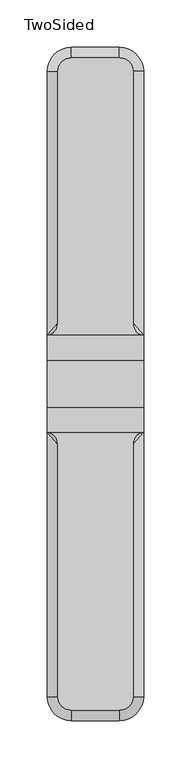
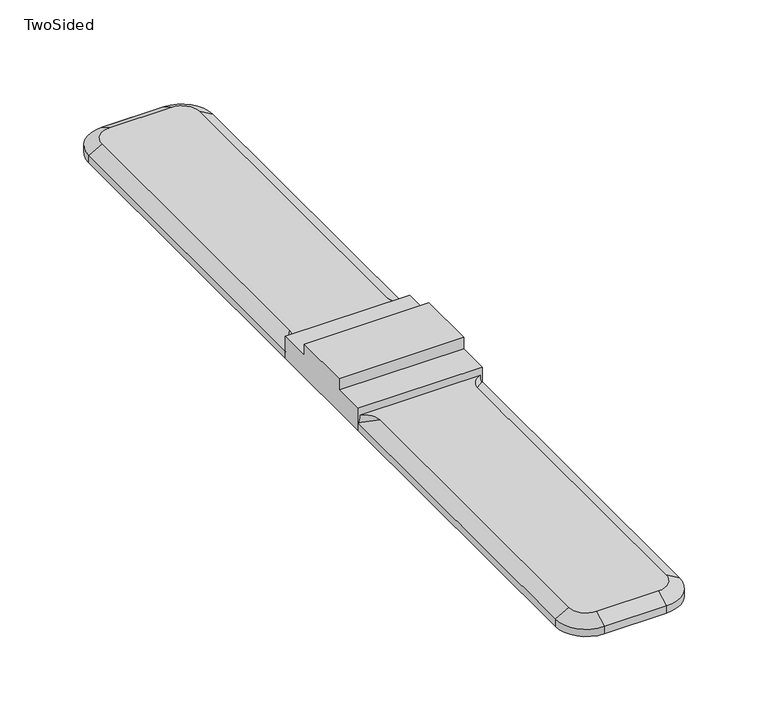
"""IFC4 building model written with IfcOpenShell, lengths in millimetres: furniture geometry, TwoSided."""

from ifc_helpers import new_model, si_unit, point, frame, frame_2d, origin, origin_with_axes, place, context, project, spatial, polyline, circle_curve, trimmed, segment, composite_curve, outline, extrude, source, transform, mapped, element, save
from ifc_brep_helpers import plane_surface, spline_surface, advanced_brep


def twosided_023465ef(model_context):
    return source(origin(), model_context, "Body", "SolidModel", [
        extrude(outline(polyline([(24.6062492, 19.05), (51.5676373, 19.05), (51.5676373, 0.0), (-50.8000015, 0.0), (-50.8000015, 19.05), (-24.6062492, 19.05), (-24.6062492, 28.7019999), (24.6062492, 28.7019999), (24.6062492, 19.05)])), frame((-50.8000015, 0.0, 0.0), z_axis=(1.0, 0.0, 0.0), x_axis=(0.0, 1.0, 0.0)), (0.0, 0.0, 1.0), 101.600003),
        advanced_brep(
        [(-39.8014789, 64.1544503, 12.708732), (-50.8000015, 51.5689438, 12.708732), (50.7999985, 51.5689438, 12.708732), (39.8014759, 64.1544503, 12.708732), (39.8014759, 330.1237857, 12.708732), (25.3234759, 344.6017857, 12.708732), (-25.3234789, 344.6017857, 12.708732), (-39.8014789, 330.1237857, 12.708732), (-50.8000015, 51.5689438, 6.358732), (-50.8000015, 330.1999879, 6.358732), (-25.4000015, 355.5999879, 6.358732), (25.3999985, 355.5999879, 6.358732), (50.7999985, 330.1999879, 6.358732), (50.7999985, 51.5689438, 6.358732)],
        [
            (0, 1, circle_curve(frame((-52.5014789, 64.1544503, 12.708732), z_axis=(0.0, 0.0, -1.0), x_axis=(0.0, 1.0, 0.0)), 12.7)),
            (1, 2),
            (2, 3, circle_curve(frame((52.5014759, 64.1544503, 12.708732), z_axis=(0.0, 0.0, -1.0), x_axis=(0.0, 1.0, 0.0)), 12.7)),
            (3, 4),
            (4, 5, circle_curve(frame((25.3234759, 330.1237857, 12.708732), z_axis=(0.0, 0.0, 1.0), x_axis=(0.0, 1.0, 0.0)), 14.478)),
            (5, 6),
            (6, 7, circle_curve(frame((-25.3234789, 330.1237857, 12.708732), z_axis=(0.0, 0.0, 1.0), x_axis=(0.0, 1.0, 0.0)), 14.478)),
            (7, 0),
            (8, 9),
            (9, 10, circle_curve(frame((-25.4000015, 330.1999879, 6.358732), z_axis=(0.0, 0.0, -1.0), x_axis=(0.0, 1.0, 0.0)), 25.4)),
            (10, 11),
            (11, 12, circle_curve(frame((25.3999985, 330.1999879, 6.358732), z_axis=(0.0, 0.0, -1.0), x_axis=(0.0, 1.0, 0.0)), 25.4)),
            (12, 13),
            (13, 8),
            (2, 13),
            (13, 3),
            (0, 8),
            (8, 1),
            (12, 4),
            (11, 5),
            (10, 6),
            (9, 7),
        ],
        [
            plane_surface(frame((-1.5e-06, 197.6122414, 12.708732), z_axis=(0.0, 0.0, 1.0), x_axis=(0.0, -1.0, 0.0))),
            plane_surface(frame((-1.5e-06, 245.7896399, 6.358732), z_axis=(0.0, 0.0, -1.0), x_axis=(0.0, -1.0, 0.0))),
            spline_surface(2, 1, [[(50.7999985, 51.5689438, 6.358732), (50.7999985, 51.5689438, 12.708732)], [(50.7999985, 51.5689438, 6.358732), (39.801475935029984, 53.05587147577952, 12.708732)], [(50.7999985, 51.5689438, 6.358732), (39.8014759, 64.1544503, 12.708732)]], [3, 3], [2, 2], [0.0, 1.0], [0.0, 1.0], weights=[[1.0, 1.0], [0.7529855913472054, 0.7529855913472054], [1.0, 1.0]]),
            spline_surface(2, 1, [[(-50.8000015, 51.5689438, 6.358732), (-39.8014789, 64.1544503, 12.708732)], [(-50.8000015, 51.5689438, 6.358732), (-39.801478872372726, 53.05587142102309, 12.708732)], [(-50.8000015, 51.5689438, 6.358732), (-50.8000015, 51.5689438, 12.708732)]], [3, 3], [2, 2], [0.0, 1.0], [0.0, 1.0], weights=[[1.0, 1.0], [0.7529855894897245, 0.7529855894897245], [1.0, 1.0]]),
            plane_surface(frame((-1.5e-06, 51.5689438, 6.358732), z_axis=(0.0, -1.0, 0.0), x_axis=(1.0, 0.0, 0.0))),
            plane_surface(frame((50.7999985, 190.8844658, 6.358732), z_axis=(0.499999999999971, 0.0, 0.8660254037844554), x_axis=(0.0, 1.0, 0.0))),
            spline_surface(2, 1, [[(50.7999985, 330.1999879, 6.358732), (39.8014759, 330.1237857, 12.708732)], [(50.79999850000002, 355.5999879, 6.358732), (39.801475900000014, 344.6017857, 12.708732)], [(25.3999985, 355.5999879, 6.358732), (25.3234759, 344.6017857, 12.708732)]], [3, 3], [2, 2], [0.0, 1.0], [0.0, 1.0], weights=[[1.0, 1.0], [0.7071067811865472, 0.7071067811865472], [1.0, 1.0]]),
            plane_surface(frame((-1.5e-06, 355.5999879, 6.358732), z_axis=(0.0, 0.5000109243768426, 0.8660190965006578), x_axis=(-1.0, 0.0, 0.0))),
            spline_surface(2, 1, [[(-25.4000015, 355.5999879, 6.358732), (-25.3234789, 344.6017857, 12.708732)], [(-50.80000149999998, 355.5999879, 6.358732), (-39.801478900000006, 344.6017857, 12.708732)], [(-50.8000015, 330.1999879, 6.358732), (-39.8014789, 330.1237857, 12.708732)]], [3, 3], [2, 2], [0.0, 1.0], [0.0, 1.0], weights=[[1.0, 1.0], [0.7071067811865479, 0.7071067811865479], [1.0, 1.0]]),
            plane_surface(frame((-50.8000015, 190.8844658, 6.358732), z_axis=(-0.49999999999973405, 0.0, 0.8660254037845923), x_axis=(0.0, -1.0, 0.0))),
        ],
        [
            (0, [[1, 2, 3, 4, 5, 6, 7, 8]]),
            (1, [[9, 10, 11, 12, 13, 14]]),
            (2, [[-3, 15, 16]]),
            (3, [[-1, 17, 18]]),
            (4, [[-14, -15, -2, -18]]),
            (5, [[-13, 19, -4, -16]]),
            (6, [[-12, 20, -5, -19]]),
            (7, [[-11, 21, -6, -20]]),
            (8, [[-10, 22, -7, -21]]),
            (9, [[-9, -17, -8, -22]]),
        ],
    ),
        extrude(outline(composite_curve([segment(polyline([(50.7999985, 50.7999985), (-50.8000015, 50.7999985), (-50.8000015, 330.1999879)]), True, "CONTINUOUS"), segment(trimmed(circle_curve(frame_2d((-25.4000015, 330.1999879)), 25.4), [point((-50.8000015, 330.1999879))], [point((-25.4000015, 355.5999879))], False, "CARTESIAN"), True, "CONTINUOUS"), segment(polyline([(-25.4000015, 355.5999879), (25.3999985, 355.5999879)]), True, "CONTINUOUS"), segment(trimmed(circle_curve(frame_2d((25.3999985, 330.1999879)), 25.4), [point((25.3999985, 355.5999879))], [point((50.7999985, 330.1999879))], False, "CARTESIAN"), True, "CONTINUOUS"), segment(polyline([(50.7999985, 330.1999879), (50.7999985, 50.7999985)]), True, "CONTINUOUS")], self_intersect=False)), origin_with_axes(), (0.0, 0.0, 1.0), 6.358732),
        advanced_brep(
        [(-39.8014789, -330.1234789, 12.708732), (-25.3234789, -344.6014789, 12.708732), (25.3234759, -344.6014789, 12.708732), (39.8014759, -330.1234789, 12.708732), (39.8014759, -63.385508, 12.708732), (50.7999985, -50.8000015, 12.708732), (-50.8000015, -50.8000015, 12.708732), (-39.8014789, -63.385508, 12.708732), (-50.8000015, -330.1999879, 6.358732), (-50.8000015, -50.8000015, 6.358732), (50.7999985, -50.8000015, 6.358732), (50.7999985, -330.1999879, 6.358732), (25.3999985, -355.5999879, 6.358732), (-25.4000015, -355.5999879, 6.358732)],
        [
            (0, 1, circle_curve(frame((-25.3234789, -330.1234789, 12.708732), z_axis=(0.0, 0.0, 1.0), x_axis=(0.0, -1.0, 0.0)), 14.478)),
            (1, 2),
            (2, 3, circle_curve(frame((25.3234759, -330.1234789, 12.708732), z_axis=(0.0, 0.0, 1.0), x_axis=(0.0, -1.0, 0.0)), 14.478)),
            (3, 4),
            (4, 5, circle_curve(frame((52.5014759, -63.385508, 12.708732), z_axis=(0.0, 0.0, -1.0), x_axis=(0.0, -1.0, 0.0)), 12.7)),
            (5, 6),
            (6, 7, circle_curve(frame((-52.5014789, -63.385508, 12.708732), z_axis=(0.0, 0.0, -1.0), x_axis=(0.0, -1.0, 0.0)), 12.7)),
            (7, 0),
            (8, 9),
            (9, 10),
            (10, 11),
            (11, 12, circle_curve(frame((25.3999985, -330.1999879, 6.358732), z_axis=(0.0, 0.0, -1.0), x_axis=(0.0, -1.0, 0.0)), 25.4)),
            (12, 13),
            (13, 8, circle_curve(frame((-25.4000015, -330.1999879, 6.358732), z_axis=(0.0, 0.0, -1.0), x_axis=(0.0, -1.0, 0.0)), 25.4)),
            (10, 4),
            (3, 11),
            (10, 5),
            (9, 6),
            (9, 7),
            (8, 0),
            (13, 1),
            (12, 2),
        ],
        [
            plane_surface(frame((-1.5e-06, -197.2276168, 12.708732), z_axis=(0.0, 0.0, 1.0), x_axis=(0.0, -1.0, 0.0))),
            plane_surface(frame((-1.5e-06, -245.5333258, 6.358732), z_axis=(0.0, 0.0, -1.0), x_axis=(0.0, -1.0, 0.0))),
            plane_surface(frame((50.7999985, -190.4999947, 6.358732), z_axis=(0.49999999999999895, 0.0, 0.8660254037844393), x_axis=(0.0, 1.0, 0.0))),
            spline_surface(2, 1, [[(50.7999985, -50.8000015, 6.358732), (39.8014759, -63.385508, 12.708732)], [(50.7999985, -50.8000015, 6.358732), (39.80147587237273, -52.2869291210231, 12.708732)], [(50.7999985, -50.8000015, 6.358732), (50.7999985, -50.8000015, 12.708732)]], [3, 3], [2, 2], [0.0, 1.0], [0.0, 1.0], weights=[[1.0, 1.0], [0.7529855894897246, 0.7529855894897246], [1.0, 1.0]]),
            plane_surface(frame((-1.5e-06, -50.8000015, 6.358732), z_axis=(0.0, 1.0, 0.0), x_axis=(-1.0, 0.0, 0.0))),
            spline_surface(2, 1, [[(-50.8000015, -50.8000015, 6.358732), (-50.8000015, -50.8000015, 12.708732)], [(-50.8000015, -50.8000015, 6.358732), (-39.80147893502998, -52.28692917577951, 12.708732)], [(-50.8000015, -50.8000015, 6.358732), (-39.8014789, -63.385508, 12.708732)]], [3, 3], [2, 2], [0.0, 1.0], [0.0, 1.0], weights=[[1.0, 1.0], [0.7529855913472052, 0.7529855913472052], [1.0, 1.0]]),
            plane_surface(frame((-50.8000015, -190.4999947, 6.358732), z_axis=(-0.49999999999969, 0.0, 0.8660254037846177), x_axis=(0.0, -1.0, 0.0))),
            spline_surface(2, 1, [[(-50.8000015, -330.1999879, 6.358732), (-39.8014789, -330.1234789, 12.708732)], [(-50.80000150000002, -355.5999879, 6.358732), (-39.80147890000001, -344.6014789, 12.708732)], [(-25.4000015, -355.5999879, 6.358732), (-25.3234789, -344.6014789, 12.708732)]], [3, 3], [2, 2], [0.0, 1.0], [0.0, 1.0], weights=[[1.0, 1.0], [0.7071067811865472, 0.7071067811865472], [1.0, 1.0]]),
            plane_surface(frame((-1.5e-06, -355.5999879, 6.358732), z_axis=(0.0, -0.5000004645725995, 0.8660251355631572), x_axis=(1.0, 0.0, 0.0))),
            spline_surface(2, 1, [[(25.3999985, -355.5999879, 6.358732), (25.3234759, -344.6014789, 12.708732)], [(50.79999849999997, -355.5999879, 6.358732), (39.80147590000001, -344.6014789, 12.708732)], [(50.7999985, -330.1999879, 6.358732), (39.8014759, -330.1234789, 12.708732)]], [3, 3], [2, 2], [0.0, 1.0], [0.0, 1.0], weights=[[1.0, 1.0], [0.7071067811865479, 0.7071067811865479], [1.0, 1.0]]),
        ],
        [
            (0, [[1, 2, 3, 4, 5, 6, 7, 8]]),
            (1, [[9, 10, 11, 12, 13, 14]]),
            (2, [[-11, 15, -4, 16]]),
            (3, [[-5, -15, 17]]),
            (4, [[-10, 18, -6, -17]]),
            (5, [[-7, -18, 19]]),
            (6, [[-9, 20, -8, -19]]),
            (7, [[-14, 21, -1, -20]]),
            (8, [[-13, 22, -2, -21]]),
            (9, [[-12, -16, -3, -22]]),
        ],
    ),
        extrude(outline(composite_curve([segment(polyline([(50.7999985, -50.8000015), (50.7999985, -330.1999879)]), True, "CONTINUOUS"), segment(trimmed(circle_curve(frame_2d((25.3999985, -330.1999879)), 25.4), [point((50.7999985, -330.1999879))], [point((25.3999985, -355.5999879))], False, "CARTESIAN"), True, "CONTINUOUS"), segment(polyline([(25.3999985, -355.5999879), (-25.4000015, -355.5999879)]), True, "CONTINUOUS"), segment(trimmed(circle_curve(frame_2d((-25.4000015, -330.1999879)), 25.4), [point((-25.4000015, -355.5999879))], [point((-50.8000015, -330.1999879))], False, "CARTESIAN"), True, "CONTINUOUS"), segment(polyline([(-50.8000015, -330.1999879), (-50.8000015, -50.8000015), (50.7999985, -50.8000015)]), True, "CONTINUOUS")], self_intersect=False)), origin_with_axes(), (0.0, 0.0, 1.0), 6.358732),
    ])


if __name__ == "__main__":
    model = new_model("IFC4")
    model_context = context("Model", 3, world=origin())
    ifc_project = project(units=[si_unit("LENGTHUNIT", "METRE", prefix="MILLI")], contexts=[model_context])
    site = spatial("IfcSite", under=ifc_project)
    building = spatial("IfcBuilding", under=site)
    placement = place(None, origin())
    twosided_shape = twosided_023465ef(model_context)
    element("IfcFurniture", 1, ObjectType="TwoSided", at=placement, inside=building, context=model_context, shape_type="MappedRepresentation", body=[
        mapped(twosided_shape, transform((0.0, 0.0, 0.0), x_axis=(1.0, 0.0, 0.0), y_axis=(0.0, 1.0, 0.0), z_axis=(0.0, 0.0, 1.0))),
    ])
    save(model, "model.ifc")
